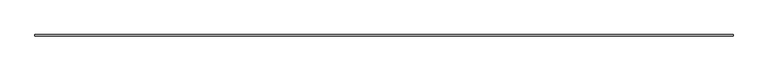
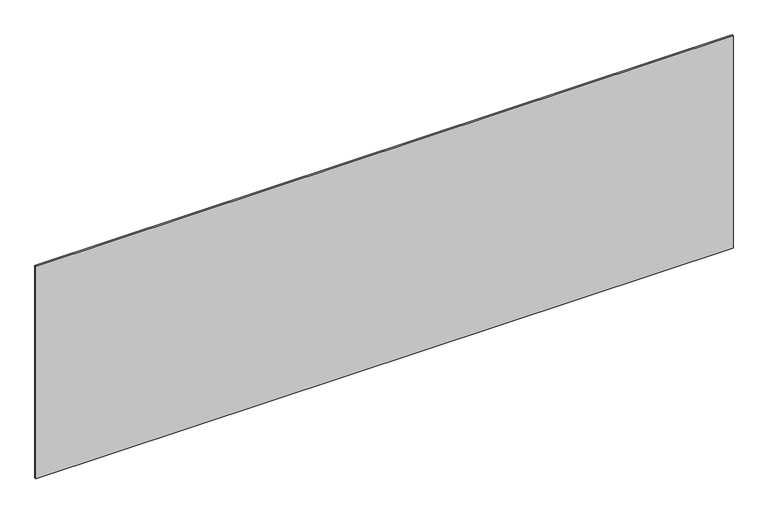
"""IFC4 building model written with IfcOpenShell, lengths in millimetres: plate geometry."""

from ifc_helpers import new_model, si_unit, origin, origin_with_axes, place, context, project, spatial, polyline, outline, extrude, source, transform, mapped, element, save


def plate_7150532c(model_context):
    return source(origin(), model_context, "Body", "SweptSolid", [
        extrude(outline(polyline([(2206.6666667, -5.0), (-2206.6666667, -5.0), (-2206.6666667, 5.0), (2206.6666667, 5.0), (2206.6666667, -5.0)])), origin_with_axes(), (0.0, 0.0, 1.0), 1421.2365011),
    ])


if __name__ == "__main__":
    model = new_model("IFC4")
    model_context = context("Model", 3, world=origin())
    ifc_project = project(units=[si_unit("LENGTHUNIT", "METRE", prefix="MILLI")], contexts=[model_context])
    site = spatial("IfcSite", under=ifc_project)
    building = spatial("IfcBuilding", under=site)
    placement = place(None, origin())
    plate_shape = plate_7150532c(model_context)
    element("IfcPlate", 1, at=placement, inside=building, context=model_context, shape_type="MappedRepresentation", body=[
        mapped(plate_shape, transform((0.0, 0.0, 0.0), x_axis=(1.0, 0.0, 0.0), y_axis=(0.0, 1.0, 0.0), z_axis=(0.0, 0.0, 1.0))),
    ])
    save(model, "model.ifc")
